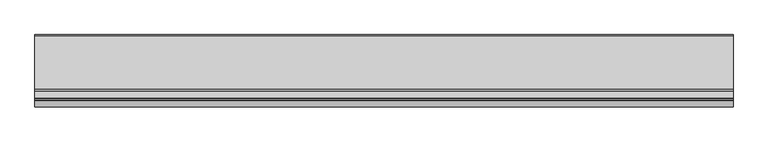
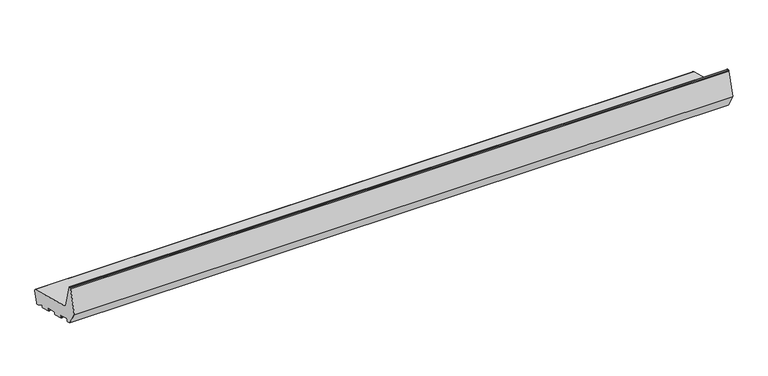
"""IFC4 building model written with IfcOpenShell, lengths in millimetres: proxy geometry."""

from ifc_helpers import new_model, si_unit, point, frame, frame_2d, origin, place, context, project, spatial, polyline, circle_curve, trimmed, segment, composite_curve, outline, extrude, source, transform, mapped, element, save


def generic_models_606d3886(model_context):
    return source(origin(), model_context, "Body", "SweptSolid", [
        extrude(outline(composite_curve([segment(polyline([(24.4386976, 5.7548961), (21.5409202, 6.5313532), (7.5551512, 15.0647989)]), True, "CONTINUOUS"), segment(trimmed(circle_curve(frame_2d((7.0342974, 14.211153)), 1.0), [point((7.5551512, 15.0647989))], [point((6.0683716, 14.4699721))], True, "CARTESIAN"), True, "CONTINUOUS"), segment(polyline([(6.0683716, 14.4699721), (5.1201811, 10.931277)]), True, "CONTINUOUS"), segment(trimmed(circle_curve(frame_2d((4.1542553, 11.190096)), 1.0), [point((5.1201811, 10.931277))], [point((3.8954362, 10.2241702))], False, "CARTESIAN"), True, "CONTINUOUS"), segment(polyline([(3.8954362, 10.2241702), (-18.3208578, 16.1770082)]), True, "CONTINUOUS"), segment(trimmed(circle_curve(frame_2d((-18.0620387, 17.1429341)), 1.0), [point((-18.3208578, 16.1770082))], [point((-19.0279645, 17.4017531))], False, "CARTESIAN"), True, "CONTINUOUS"), segment(polyline([(-19.0279645, 17.4017531), (-17.9926884, 21.2654564)]), True, "CONTINUOUS"), segment(trimmed(circle_curve(frame_2d((-18.9586142, 21.5242755)), 1.0), [point((-17.9926884, 21.2654564))], [point((-18.6997951, 22.4902013))], True, "CARTESIAN"), True, "CONTINUOUS"), segment(polyline([(-18.6997951, 22.4902013), (-41.882015, 28.7018584)]), True, "CONTINUOUS"), segment(trimmed(circle_curve(frame_2d((-42.140834, 27.7359325)), 1.0), [point((-41.882015, 28.7018584))], [point((-43.1067598, 27.9947516))], True, "CARTESIAN"), True, "CONTINUOUS"), segment(polyline([(-43.1067598, 27.9947516), (-44.142036, 24.1310483)]), True, "CONTINUOUS"), segment(trimmed(circle_curve(frame_2d((-45.1079618, 24.3898673)), 1.0), [point((-44.142036, 24.1310483))], [point((-45.3667809, 23.4239415))], False, "CARTESIAN"), True, "CONTINUOUS"), segment(polyline([(-45.3667809, 23.4239415), (-67.5830749, 29.3767795)]), True, "CONTINUOUS"), segment(trimmed(circle_curve(frame_2d((-67.3242559, 30.3427054)), 1.0), [point((-67.5830749, 29.3767795))], [point((-68.2901817, 30.6015244))], False, "CARTESIAN"), True, "CONTINUOUS"), segment(polyline([(-68.2901817, 30.6015244), (-67.2549055, 34.4652277)]), True, "CONTINUOUS"), segment(trimmed(circle_curve(frame_2d((-68.2208313, 34.7240468)), 1.0), [point((-67.2549055, 34.4652277))], [point((-67.9620123, 35.6899726))], True, "CARTESIAN"), True, "CONTINUOUS"), segment(polyline([(-67.9620123, 35.6899726), (-91.1442321, 41.9016297)]), True, "CONTINUOUS"), segment(trimmed(circle_curve(frame_2d((-91.4030512, 40.9357038)), 1.0), [point((-91.1442321, 41.9016297))], [point((-92.368977, 41.1945229))], True, "CARTESIAN"), True, "CONTINUOUS"), segment(polyline([(-92.368977, 41.1945229), (-93.4042532, 37.3308196)]), True, "CONTINUOUS"), segment(trimmed(circle_curve(frame_2d((-94.370179, 37.5896386)), 1.0), [point((-93.4042532, 37.3308196))], [point((-94.628998, 36.6237128))], False, "CARTESIAN"), True, "CONTINUOUS"), segment(polyline([(-94.628998, 36.6237128), (-103.3223305, 38.9530842), (-121.0, 69.571706), (-106.6423334, 123.1552472)]), True, "CONTINUOUS"), segment(trimmed(circle_curve(frame_2d((-105.1934447, 122.7670186)), 1.5), [point((-106.6423334, 123.1552472))], [point((-105.1934447, 124.2670186))], False, "CARTESIAN"), True, "CONTINUOUS"), segment(polyline([(-105.1934447, 124.2670186), (-102.1818846, 124.2670186)]), True, "CONTINUOUS"), segment(trimmed(circle_curve(frame_2d((-102.1818846, 122.7670186)), 1.5), [point((-102.1818846, 124.2670186))], [point((-100.7329958, 123.1552472))], False, "CARTESIAN"), True, "CONTINUOUS"), segment(polyline([(-100.7329958, 123.1552472), (-86.984545, 71.8453303)]), True, "CONTINUOUS"), segment(trimmed(circle_curve(frame_2d((-81.1889901, 73.3982445)), 6.0), [point((-86.984545, 71.8453303))], [point((-82.7419043, 67.6026896))], True, "CARTESIAN"), True, "CONTINUOUS"), segment(polyline([(-82.7419043, 67.6026896), (32.7209071, 36.6645225)]), True, "CONTINUOUS"), segment(trimmed(circle_curve(frame_2d((31.94445, 33.766745)), 3.0), [point((32.7209071, 36.6645225))], [point((34.8422274, 32.9902879))], False, "CARTESIAN"), True, "CONTINUOUS"), segment(polyline([(34.8422274, 32.9902879), (28.1129323, 7.8762164)]), True, "CONTINUOUS"), segment(trimmed(circle_curve(frame_2d((25.2151548, 8.6526736)), 3.0), [point((28.1129323, 7.8762164))], [point((24.4386976, 5.7548961))], False, "CARTESIAN"), True, "CONTINUOUS")], self_intersect=False)), frame((0.0, 0.0, 0.0), z_axis=(1.0, 0.0, 0.0), x_axis=(0.0, 1.0, 0.0)), (0.0, 0.0, 1.0), 1500.0),
    ])


if __name__ == "__main__":
    model = new_model("IFC4")
    model_context = context("Model", 3, world=origin())
    ifc_project = project(units=[si_unit("LENGTHUNIT", "METRE", prefix="MILLI")], contexts=[model_context])
    site = spatial("IfcSite", under=ifc_project)
    building = spatial("IfcBuilding", under=site)
    placement = place(None, origin())
    generic_models_shape = generic_models_606d3886(model_context)
    element("IfcBuildingElementProxy", 1, Name="Generic Models", at=placement, inside=building, context=model_context, shape_type="MappedRepresentation", body=[
        mapped(generic_models_shape, transform((0.0, 0.0, 0.0), x_axis=(1.0, 0.0, 0.0), y_axis=(0.0, 1.0, 0.0), z_axis=(0.0, 0.0, 1.0))),
    ])
    save(model, "model.ifc")
